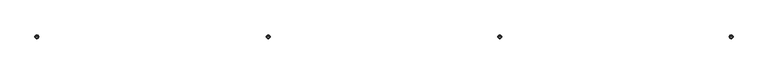
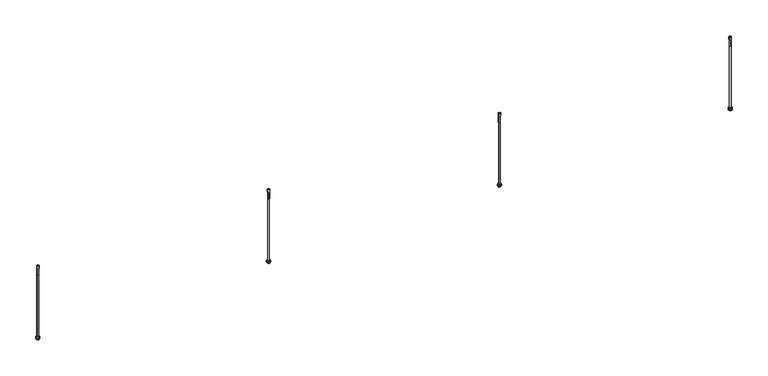
"""IFC4 building model written with IfcOpenShell, lengths in millimetres: proxy geometry."""

import ifcopenshell
import ifcopenshell.guid

model = None  # the IFC model being written
_history = None  # IfcOwnerHistory: only IFC2X3 demands one
_inside = {}  # id of a spatial element -> (the spatial element, [elements in it])
_under = {}  # id of a project, library or spatial element -> (it, [spatial elements below it])
_declared = {}  # id of a project -> (the project, [libraries it declares])
_typed = {}  # id of a type object -> (the type object, [elements of that type])
_made_of = {}  # id of a material, layer set ... -> (it, [elements and type objects made of it])


def new_model(schema):
    """Start an empty IFC model of exactly this schema.

    Asked for "IFC4X3", IfcOpenShell would pick the latest addendum, in which some entities
    have other attributes; the version numbers below select the first issue.
    IFC2X3 requires an IfcOwnerHistory on every rooted entity: one is made here for all.
    """
    global model, _history
    if schema == "IFC4X3":
        model = ifcopenshell.file(schema_version=(4, 3, 0, 0))
    else:
        model = ifcopenshell.file(schema=schema)
    _inside.clear()
    _under.clear()
    _declared.clear()
    _typed.clear()
    _made_of.clear()
    _history = None
    if model.schema == "IFC2X3":
        org = make("IfcOrganization", Name="unknown")
        user = make(
            "IfcPersonAndOrganization",
            ThePerson=make("IfcPerson", FamilyName="unknown"),
            TheOrganization=org,
        )
        app = make(
            "IfcApplication",
            ApplicationDeveloper=org,
            Version="unknown",
            ApplicationFullName="unknown",
            ApplicationIdentifier="unknown",
        )
        _history = make(
            "IfcOwnerHistory",
            OwningUser=user,
            OwningApplication=app,
            ChangeAction="ADDED",
            CreationDate=0,
        )
    return model


def make(cls, **values):
    """One entity of the class cls with the attributes given. An attribute that is None is left unset."""
    return model.create_entity(
        cls, **{name: value for name, value in values.items() if value is not None}
    )


def rooted(cls, **values):
    """An entity with a GlobalId (a new one), such as an element, a storey or a relation."""
    return make(cls, GlobalId=ifcopenshell.guid.new(), OwnerHistory=_history, **values)


def si_unit(unit_type, name, prefix=None):
    """IfcSIUnit, for example si_unit("LENGTHUNIT", "METRE", prefix="MILLI")."""
    return make("IfcSIUnit", UnitType=unit_type, Prefix=prefix, Name=name)


def assignment(units):
    """IfcUnitAssignment: the units of a project."""
    return None if units is None else make("IfcUnitAssignment", Units=units)


def point(xyz):
    """IfcCartesianPoint."""
    return None if xyz is None else make("IfcCartesianPoint", Coordinates=xyz)


def direction(xyz):
    """IfcDirection."""
    return None if xyz is None else make("IfcDirection", DirectionRatios=xyz)


def frame(location, z_axis=None, x_axis=None):
    """IfcAxis2Placement3D, a coordinate frame: its origin and axes. An axis left out is left unset."""
    return make(
        "IfcAxis2Placement3D",
        Location=point(location),
        Axis=direction(z_axis),
        RefDirection=direction(x_axis),
    )


def frame_2d(location, x_axis=None):
    """IfcAxis2Placement2D, a coordinate frame in the plane: its origin and x axis."""
    return make(
        "IfcAxis2Placement2D", Location=point(location), RefDirection=direction(x_axis)
    )


def origin():
    """The frame at (0, 0, 0) with its axes left unset."""
    return frame((0.0, 0.0, 0.0))


def origin_with_axes():
    """The frame at (0, 0, 0) with the z axis (0, 0, 1) and the x axis (1, 0, 0) written out."""
    return frame((0.0, 0.0, 0.0), z_axis=(0.0, 0.0, 1.0), x_axis=(1.0, 0.0, 0.0))


def origin_2d():
    """The frame at (0, 0) in the plane with its x axis left unset."""
    return frame_2d((0.0, 0.0))


def place(relative_to, where):
    """IfcLocalPlacement: puts the frame where relative to a parent placement (None: the world)."""
    return make(
        "IfcLocalPlacement", PlacementRelTo=relative_to, RelativePlacement=where
    )


def context(
    kind, dimensions, precision=None, world=None, true_north=None, identifier=None
):
    """IfcGeometricRepresentationContext, for example the 3D "Model" context."""
    return make(
        "IfcGeometricRepresentationContext",
        ContextIdentifier=identifier,
        ContextType=kind,
        CoordinateSpaceDimension=dimensions,
        Precision=precision,
        WorldCoordinateSystem=world,
        TrueNorth=true_north,
    )


def project(units=None, contexts=None):
    """IfcProject with its units and contexts."""
    return rooted(
        "IfcProject",
        Name="project",
        RepresentationContexts=contexts,
        UnitsInContext=assignment(units),
    )


def spatial(cls, under=None, at=None, **own):
    """A site, building, storey or space (cls), placed at a placement, below another one or the project."""
    s = rooted(cls, ObjectPlacement=at, **own)
    if under is not None:
        _under.setdefault(under.id(), (under, []))[1].append(s)
    return s


def polyline(points):
    """IfcPolyline through the points."""
    return make("IfcPolyline", Points=[point(p) for p in points])


def circle_curve(where, radius):
    """IfcCircle in the frame where."""
    return make("IfcCircle", Position=where, Radius=radius)


def trimmed(basis, trim1, trim2, sense, master):
    """IfcTrimmedCurve: the piece of a basis curve between two trims."""
    return make(
        "IfcTrimmedCurve",
        BasisCurve=basis,
        Trim1=trim1,
        Trim2=trim2,
        SenseAgreement=sense,
        MasterRepresentation=master,
    )


def segment(curve, same_sense, transition):
    """IfcCompositeCurveSegment."""
    return make(
        "IfcCompositeCurveSegment",
        Transition=transition,
        SameSense=same_sense,
        ParentCurve=curve,
    )


def composite_curve(segments, self_intersect=None):
    """IfcCompositeCurve: segments joined end to end."""
    return make("IfcCompositeCurve", Segments=segments, SelfIntersect=self_intersect)


def outline(outer, holes=None, kind="AREA"):
    """IfcArbitraryClosedProfileDef: a profile drawn as a closed curve; with holes, ...WithVoids."""
    if holes is None:
        return make("IfcArbitraryClosedProfileDef", ProfileType=kind, OuterCurve=outer)
    return make(
        "IfcArbitraryProfileDefWithVoids",
        ProfileType=kind,
        OuterCurve=outer,
        InnerCurves=holes,
    )


def extrude(swept, where, along, depth):
    """IfcExtrudedAreaSolid: the profile swept, set in the frame where, extruded along a direction by depth."""
    return make(
        "IfcExtrudedAreaSolid",
        SweptArea=swept,
        Position=where,
        ExtrudedDirection=direction(along),
        Depth=depth,
    )


def shape(context_of_items, identifier, shape_type, items):
    """IfcShapeRepresentation: the items that make up one representation, for example the "Body"."""
    return make(
        "IfcShapeRepresentation",
        ContextOfItems=context_of_items,
        RepresentationIdentifier=identifier,
        RepresentationType=shape_type,
        Items=items,
    )


def source(mapping_origin, context_of_items, identifier, shape_type, items):
    """IfcRepresentationMap: a shape defined once, which mapped items show again and again."""
    return make(
        "IfcRepresentationMap",
        MappingOrigin=mapping_origin,
        MappedRepresentation=shape(context_of_items, identifier, shape_type, items),
    )


def transform(
    local_origin,
    x_axis=None,
    y_axis=None,
    z_axis=None,
    scale=None,
    scale2=None,
    scale3=None,
    uniform=True,
):
    """IfcCartesianTransformationOperator3D, or its non-uniform kind. x_axis, y_axis, z_axis: its Axis1, 2, 3."""
    if uniform:
        return make(
            "IfcCartesianTransformationOperator3D",
            Axis1=direction(x_axis),
            Axis2=direction(y_axis),
            LocalOrigin=point(local_origin),
            Scale=scale,
            Axis3=direction(z_axis),
        )
    return make(
        "IfcCartesianTransformationOperator3DnonUniform",
        Axis1=direction(x_axis),
        Axis2=direction(y_axis),
        LocalOrigin=point(local_origin),
        Scale=scale,
        Axis3=direction(z_axis),
        Scale2=scale2,
        Scale3=scale3,
    )


def mapped(mapping_source, mapping_target):
    """IfcMappedItem: shows the shape of a source again, moved by a transform."""
    return make(
        "IfcMappedItem", MappingSource=mapping_source, MappingTarget=mapping_target
    )


def made_of(thing, what):
    """Note that an element or type object is made of a material, layer set ...; save() writes the relation."""
    if what is not None:
        _made_of.setdefault(what.id(), (what, []))[1].append(thing)
    return thing


def element(
    cls,
    number,
    at=None,
    inside=None,
    cuts=None,
    type_object=None,
    material=None,
    context=None,
    identifier="Body",
    shape_type=None,
    held_by="IfcProductDefinitionShape",
    body=None,
    shapes=None,
    **own,
):
    """One element of the class cls, such as IfcWall. Its Tag is "e" and its number.

    at: its placement. inside: the storey or other place that contains it. cuts: it is an
    opening in that element (IfcRelVoidsElement). A single representation is given by context,
    identifier, shape_type and body (its items); several are given by shapes. held_by: the class
    of the entity that holds the representations. save() writes the other relations.
    """
    e = rooted(cls, Tag="e%d" % number, ObjectPlacement=at, **own)
    if body is not None:
        shapes = [shape(context, identifier, shape_type, body)]
    if shapes is not None:
        e.Representation = make(held_by, Representations=shapes)
    if inside is not None:
        _inside.setdefault(inside.id(), (inside, []))[1].append(e)
    if cuts is not None:
        rooted(
            "IfcRelVoidsElement", RelatingBuildingElement=cuts, RelatedOpeningElement=e
        )
    if type_object is not None:
        _typed.setdefault(type_object.id(), (type_object, []))[1].append(e)
    return made_of(e, material)


def aggregate(whole, parts):
    """IfcRelAggregates: a whole, such as a stair, and the parts it consists of."""
    return rooted("IfcRelAggregates", RelatingObject=whole, RelatedObjects=parts)


def save(model, path):
    """Write the relations noted so far, then the file.

    IfcRelAggregates (storeys below a building ...), IfcRelContainedInSpatialStructure (elements
    in a storey), IfcRelDefinesByType, IfcRelAssociatesMaterial and IfcRelDeclares: one each for
    every whole, place, type object, material and project.
    """
    for whole, parts in _under.values():
        aggregate(whole, parts)
    for where, things in _inside.values():
        rooted(
            "IfcRelContainedInSpatialStructure",
            RelatedElements=things,
            RelatingStructure=where,
        )
    for kind, things in _typed.values():
        rooted("IfcRelDefinesByType", RelatedObjects=things, RelatingType=kind)
    for what, things in _made_of.values():
        rooted("IfcRelAssociatesMaterial", RelatedObjects=things, RelatingMaterial=what)
    for by, libraries in _declared.values():
        rooted("IfcRelDeclares", RelatingContext=by, RelatedDefinitions=libraries)
    model.write(path)


def plane_surface(at):
    """IfcPlane: the flat surface through the origin of the frame at, square to its z axis."""
    return make("IfcPlane", Position=at)


def cylinder_surface(at, radius):
    """IfcCylindricalSurface: all points at the distance radius from the z axis of the frame at."""
    return make("IfcCylindricalSurface", Position=at, Radius=radius)


def revolved_surface(curve, axis_point, axis_direction):
    """IfcSurfaceOfRevolution: the curve turned about the line through axis_point along axis_direction."""
    return make(
        "IfcSurfaceOfRevolution",
        SweptCurve=make("IfcArbitraryOpenProfileDef", ProfileType="CURVE", Curve=curve),
        AxisPosition=make("IfcAxis1Placement", Location=point(axis_point), Axis=direction(axis_direction)),
    )


def advanced_brep(points, edges, surfaces, faces):
    """IfcAdvancedBrep: a solid bounded by faces that lie on surfaces and meet in shared edges.

    An edge is (start, end): straight between two places in points (the first is 0);
    or (start, end, curve); or (start, end, curve, False) where it runs against its curve.
    A face is (place in surfaces, loops), or (place, loops, False) where it looks against
    its surface's normal. A loop lists edges by number (the first is 1), with a minus sign
    where the edge is run from its end to its start. The first loop is the outer one.
    """
    corners = [point(p) for p in points]
    vertices = [make("IfcVertexPoint", VertexGeometry=c) for c in corners]
    made = []
    for start, end, *more in edges:
        made.append(
            make(
                "IfcEdgeCurve",
                EdgeStart=vertices[start],
                EdgeEnd=vertices[end],
                EdgeGeometry=more[0] if more else make("IfcPolyline", Points=[corners[start], corners[end]]),
                SameSense=more[1] if len(more) > 1 else True,
            )
        )
    hull = []
    for where, loops, *sense in faces:
        bounds = []
        for j, loop in enumerate(loops):
            ring = [make("IfcOrientedEdge", EdgeElement=made[abs(k) - 1], Orientation=k > 0) for k in loop]
            bounds.append(
                make(
                    "IfcFaceOuterBound" if j == 0 else "IfcFaceBound",
                    Bound=make("IfcEdgeLoop", EdgeList=ring),
                    Orientation=True,
                )
            )
        hull.append(make("IfcAdvancedFace", Bounds=bounds, FaceSurface=surfaces[where], SameSense=sense[0] if sense else True))
    return make("IfcAdvancedBrep", Outer=make("IfcClosedShell", CfsFaces=hull))


def generic_models_63b8e154(model_context):
    return source(origin(), model_context, "Body", "SolidModel", [
        extrude(outline(polyline([(2850.0, 6.6082069), (2855.722875, 3.3041034), (2855.722875, -3.3041034), (2850.0, -6.6082069), (2844.277125, -3.3041034), (2844.277125, 3.3041034), (2850.0, 6.6082069)]), holes=[composite_curve([segment(trimmed(circle_curve(frame_2d((2850.0, 0.0)), 3.0), [point((2853.0, 0.0))], [point((2847.0, 0.0))], True, "CARTESIAN"), True, "CONTINUOUS"), segment(trimmed(circle_curve(frame_2d((2850.0, 0.0)), 3.0), [point((2847.0, 0.0))], [point((2853.0, 0.0))], True, "CARTESIAN"), True, "CONTINUOUS")], self_intersect=False)]), frame((0.0, 0.0, 8.4900018), z_axis=(0.0, 0.0, 1.0), x_axis=(1.0, 0.0, 0.0)), (0.0, 0.0, 1.0), 5.0),
        advanced_brep(
        [(2850.0, 0.0, 321.2678879), (2845.2681778, 0.0, 320.0), (2854.7318222, 0.0, 320.0), (2853.671637, 0.0, 281.9964405), (2846.328363, 0.0, 281.9964405), (2850.0, 0.0, 281.9964405), (2853.671637, 0.0, 310.5379079), (2846.328363, 0.0, 310.5379079), (2854.7318222, 0.0, 310.5379079), (2845.2681778, 0.0, 310.5379079)],
        [
            (0, 1),
            (1, 2, circle_curve(frame((2850.0, 0.0, 320.0), z_axis=(0.0, 0.0, 1.0), x_axis=(-1.0, 0.0, 0.0)), 4.7318222)),
            (2, 0),
            (2, 1, circle_curve(frame((2850.0, 0.0, 320.0), z_axis=(0.0, 0.0, 1.0), x_axis=(-1.0, 0.0, 0.0)), 4.7318222)),
            (3, 4, circle_curve(frame((2850.0, 0.0, 281.9964405), z_axis=(0.0, 0.0, -1.0), x_axis=(-1.0, 0.0, 0.0)), 3.671637)),
            (4, 5),
            (5, 3),
            (4, 3, circle_curve(frame((2850.0, 0.0, 281.9964405), z_axis=(0.0, 0.0, -1.0), x_axis=(-1.0, 0.0, 0.0)), 3.671637)),
            (6, 7, circle_curve(frame((2850.0, 0.0, 310.5379079), z_axis=(0.0, 0.0, -1.0), x_axis=(-1.0, 0.0, 0.0)), 3.671637)),
            (7, 4),
            (3, 6),
            (7, 6, circle_curve(frame((2850.0, 0.0, 310.5379079), z_axis=(0.0, 0.0, -1.0), x_axis=(-1.0, 0.0, 0.0)), 3.671637)),
            (8, 9, circle_curve(frame((2850.0, 0.0, 310.5379079), z_axis=(0.0, 0.0, -1.0), x_axis=(-1.0, 0.0, 0.0)), 4.7318222)),
            (9, 7),
            (6, 8),
            (9, 8, circle_curve(frame((2850.0, 0.0, 310.5379079), z_axis=(0.0, 0.0, -1.0), x_axis=(-1.0, 0.0, 0.0)), 4.7318222)),
            (1, 9),
            (8, 2),
        ],
        [
            revolved_surface(polyline([(2845.2681778, 0.0, 320.0), (2850.0, 0.0, 321.2678879)]), (2850.0, 0.0, 289.8947141), (0.0, 0.0, 1.0)),
            plane_surface(frame((2850.0, 0.0, 281.9964405), z_axis=(0.0, 0.0, -1.0), x_axis=(-1.0, 0.0, 0.0))),
            cylinder_surface(frame((2850.0, 0.0, 289.8947141), z_axis=(0.0, 0.0, 1.0), x_axis=(-1.0, 0.0, 0.0)), 3.671637),
            plane_surface(frame((2850.0, 0.0, 310.5379079), z_axis=(0.0, 0.0, -1.0), x_axis=(-1.0, 0.0, 0.0))),
            cylinder_surface(frame((2850.0, 0.0, 289.8947141), z_axis=(0.0, 0.0, 1.0), x_axis=(-1.0, 0.0, 0.0)), 4.7318222),
        ],
        [
            (0, [[1, 2, 3]]),
            (0, [[-3, 4, -1]]),
            (1, [[5, 6, 7]]),
            (1, [[8, -7, -6]]),
            (2, [[9, 10, -5, 11]]),
            (2, [[12, -11, -8, -10]]),
            (3, [[13, 14, -9, 15]]),
            (3, [[16, -15, -12, -14]]),
            (4, [[-2, 17, -13, 18]]),
            (4, [[-4, -18, -16, -17]]),
        ],
    ),
        extrude(outline(composite_curve([segment(trimmed(circle_curve(frame_2d((2850.0, 0.0)), 7.6155736), [point((2857.6155736, 0.0))], [point((2842.3844264, 0.0))], False, "CARTESIAN"), True, "CONTINUOUS"), segment(trimmed(circle_curve(frame_2d((2850.0, 0.0)), 7.6155736), [point((2842.3844264, 0.0))], [point((2857.6155736, 0.0))], False, "CARTESIAN"), True, "CONTINUOUS")], self_intersect=False), holes=[composite_curve([segment(trimmed(circle_curve(frame_2d((2850.0, 0.0)), 3.0), [point((2853.0, 0.0))], [point((2847.0, 0.0))], True, "CARTESIAN"), True, "CONTINUOUS"), segment(trimmed(circle_curve(frame_2d((2850.0, 0.0)), 3.0), [point((2847.0, 0.0))], [point((2853.0, 0.0))], True, "CARTESIAN"), True, "CONTINUOUS")], self_intersect=False)]), frame((0.0, 0.0, 6.4900018), z_axis=(0.0, 0.0, 1.0), x_axis=(1.0, 0.0, 0.0)), (0.0, 0.0, 1.0), 1.0),
        extrude(outline(polyline([(2850.0, 6.6082069), (2855.722875, 3.3041034), (2855.722875, -3.3041034), (2850.0, -6.6082069), (2844.277125, -3.3041034), (2844.277125, 3.3041034), (2850.0, 6.6082069)]), holes=[composite_curve([segment(trimmed(circle_curve(frame_2d((2850.0, 0.0)), 3.0), [point((2853.0, 0.0))], [point((2847.0, 0.0))], True, "CARTESIAN"), True, "CONTINUOUS"), segment(trimmed(circle_curve(frame_2d((2850.0, 0.0)), 3.0), [point((2847.0, 0.0))], [point((2853.0, 0.0))], True, "CARTESIAN"), True, "CONTINUOUS")], self_intersect=False)]), frame((0.0, 0.0, 1.4900018), z_axis=(0.0, 0.0, 1.0), x_axis=(1.0, 0.0, 0.0)), (0.0, 0.0, 1.0), 5.0),
        extrude(outline(composite_curve([segment(trimmed(circle_curve(frame_2d((2850.0, 0.0)), 3.0), [point((2853.0, 0.0))], [point((2847.0, 0.0))], False, "CARTESIAN"), True, "CONTINUOUS"), segment(trimmed(circle_curve(frame_2d((2850.0, 0.0)), 3.0), [point((2847.0, 0.0))], [point((2853.0, 0.0))], False, "CARTESIAN"), True, "CONTINUOUS")], self_intersect=False)), origin_with_axes(), (0.0, 0.0, 1.0), 320.0),
        extrude(outline(polyline([(1900.0, 6.6082069), (1905.722875, 3.3041034), (1905.722875, -3.3041034), (1900.0, -6.6082069), (1894.277125, -3.3041034), (1894.277125, 3.3041034), (1900.0, 6.6082069)]), holes=[composite_curve([segment(trimmed(circle_curve(frame_2d((1900.0, 0.0)), 3.0), [point((1903.0, 0.0))], [point((1897.0, 0.0))], True, "CARTESIAN"), True, "CONTINUOUS"), segment(trimmed(circle_curve(frame_2d((1900.0, 0.0)), 3.0), [point((1897.0, 0.0))], [point((1903.0, 0.0))], True, "CARTESIAN"), True, "CONTINUOUS")], self_intersect=False)]), frame((0.0, 0.0, 8.4900018), z_axis=(0.0, 0.0, 1.0), x_axis=(1.0, 0.0, 0.0)), (0.0, 0.0, 1.0), 5.0),
        advanced_brep(
        [(1900.0, 0.0, 321.2678879), (1895.2681778, 0.0, 320.0), (1904.7318222, 0.0, 320.0), (1903.671637, 0.0, 281.9964405), (1896.328363, 0.0, 281.9964405), (1900.0, 0.0, 281.9964405), (1903.671637, 0.0, 310.5379079), (1896.328363, 0.0, 310.5379079), (1904.7318222, 0.0, 310.5379079), (1895.2681778, 0.0, 310.5379079)],
        [
            (0, 1),
            (1, 2, circle_curve(frame((1900.0, 0.0, 320.0), z_axis=(0.0, 0.0, 1.0), x_axis=(-1.0, 0.0, 0.0)), 4.7318222)),
            (2, 0),
            (2, 1, circle_curve(frame((1900.0, 0.0, 320.0), z_axis=(0.0, 0.0, 1.0), x_axis=(-1.0, 0.0, 0.0)), 4.7318222)),
            (3, 4, circle_curve(frame((1900.0, 0.0, 281.9964405), z_axis=(0.0, 0.0, -1.0), x_axis=(-1.0, 0.0, 0.0)), 3.671637)),
            (4, 5),
            (5, 3),
            (4, 3, circle_curve(frame((1900.0, 0.0, 281.9964405), z_axis=(0.0, 0.0, -1.0), x_axis=(-1.0, 0.0, 0.0)), 3.671637)),
            (6, 7, circle_curve(frame((1900.0, 0.0, 310.5379079), z_axis=(0.0, 0.0, -1.0), x_axis=(-1.0, 0.0, 0.0)), 3.671637)),
            (7, 4),
            (3, 6),
            (7, 6, circle_curve(frame((1900.0, 0.0, 310.5379079), z_axis=(0.0, 0.0, -1.0), x_axis=(-1.0, 0.0, 0.0)), 3.671637)),
            (8, 9, circle_curve(frame((1900.0, 0.0, 310.5379079), z_axis=(0.0, 0.0, -1.0), x_axis=(-1.0, 0.0, 0.0)), 4.7318222)),
            (9, 7),
            (6, 8),
            (9, 8, circle_curve(frame((1900.0, 0.0, 310.5379079), z_axis=(0.0, 0.0, -1.0), x_axis=(-1.0, 0.0, 0.0)), 4.7318222)),
            (1, 9),
            (8, 2),
        ],
        [
            revolved_surface(polyline([(1895.2681778, 0.0, 320.0), (1900.0, 0.0, 321.2678879)]), (1900.0, 0.0, 289.8947141), (0.0, 0.0, 1.0)),
            plane_surface(frame((1900.0, 0.0, 281.9964405), z_axis=(0.0, 0.0, -1.0), x_axis=(-1.0, 0.0, 0.0))),
            cylinder_surface(frame((1900.0, 0.0, 289.8947141), z_axis=(0.0, 0.0, 1.0), x_axis=(-1.0, 0.0, 0.0)), 3.671637),
            plane_surface(frame((1900.0, 0.0, 310.5379079), z_axis=(0.0, 0.0, -1.0), x_axis=(-1.0, 0.0, 0.0))),
            cylinder_surface(frame((1900.0, 0.0, 289.8947141), z_axis=(0.0, 0.0, 1.0), x_axis=(-1.0, 0.0, 0.0)), 4.7318222),
        ],
        [
            (0, [[1, 2, 3]]),
            (0, [[-3, 4, -1]]),
            (1, [[5, 6, 7]]),
            (1, [[8, -7, -6]]),
            (2, [[9, 10, -5, 11]]),
            (2, [[12, -11, -8, -10]]),
            (3, [[13, 14, -9, 15]]),
            (3, [[16, -15, -12, -14]]),
            (4, [[-2, 17, -13, 18]]),
            (4, [[-4, -18, -16, -17]]),
        ],
    ),
        extrude(outline(composite_curve([segment(trimmed(circle_curve(frame_2d((1900.0, 0.0)), 7.6155736), [point((1907.6155736, 0.0))], [point((1892.3844264, 0.0))], False, "CARTESIAN"), True, "CONTINUOUS"), segment(trimmed(circle_curve(frame_2d((1900.0, 0.0)), 7.6155736), [point((1892.3844264, 0.0))], [point((1907.6155736, 0.0))], False, "CARTESIAN"), True, "CONTINUOUS")], self_intersect=False), holes=[composite_curve([segment(trimmed(circle_curve(frame_2d((1900.0, 0.0)), 3.0), [point((1903.0, 0.0))], [point((1897.0, 0.0))], True, "CARTESIAN"), True, "CONTINUOUS"), segment(trimmed(circle_curve(frame_2d((1900.0, 0.0)), 3.0), [point((1897.0, 0.0))], [point((1903.0, 0.0))], True, "CARTESIAN"), True, "CONTINUOUS")], self_intersect=False)]), frame((0.0, 0.0, 6.4900018), z_axis=(0.0, 0.0, 1.0), x_axis=(1.0, 0.0, 0.0)), (0.0, 0.0, 1.0), 1.0),
        extrude(outline(polyline([(1900.0, 6.6082069), (1905.722875, 3.3041034), (1905.722875, -3.3041034), (1900.0, -6.6082069), (1894.277125, -3.3041034), (1894.277125, 3.3041034), (1900.0, 6.6082069)]), holes=[composite_curve([segment(trimmed(circle_curve(frame_2d((1900.0, 0.0)), 3.0), [point((1903.0, 0.0))], [point((1897.0, 0.0))], True, "CARTESIAN"), True, "CONTINUOUS"), segment(trimmed(circle_curve(frame_2d((1900.0, 0.0)), 3.0), [point((1897.0, 0.0))], [point((1903.0, 0.0))], True, "CARTESIAN"), True, "CONTINUOUS")], self_intersect=False)]), frame((0.0, 0.0, 1.4900018), z_axis=(0.0, 0.0, 1.0), x_axis=(1.0, 0.0, 0.0)), (0.0, 0.0, 1.0), 5.0),
        extrude(outline(composite_curve([segment(trimmed(circle_curve(frame_2d((1900.0, 0.0)), 3.0), [point((1903.0, 0.0))], [point((1897.0, 0.0))], False, "CARTESIAN"), True, "CONTINUOUS"), segment(trimmed(circle_curve(frame_2d((1900.0, 0.0)), 3.0), [point((1897.0, 0.0))], [point((1903.0, 0.0))], False, "CARTESIAN"), True, "CONTINUOUS")], self_intersect=False)), origin_with_axes(), (0.0, 0.0, 1.0), 320.0),
        extrude(outline(polyline([(950.0, 6.6082069), (955.722875, 3.3041034), (955.722875, -3.3041034), (950.0, -6.6082069), (944.277125, -3.3041034), (944.277125, 3.3041034), (950.0, 6.6082069)]), holes=[composite_curve([segment(trimmed(circle_curve(frame_2d((950.0, 0.0)), 3.0), [point((953.0, 0.0))], [point((947.0, 0.0))], True, "CARTESIAN"), True, "CONTINUOUS"), segment(trimmed(circle_curve(frame_2d((950.0, 0.0)), 3.0), [point((947.0, 0.0))], [point((953.0, 0.0))], True, "CARTESIAN"), True, "CONTINUOUS")], self_intersect=False)]), frame((0.0, 0.0, 8.4900018), z_axis=(0.0, 0.0, 1.0), x_axis=(1.0, 0.0, 0.0)), (0.0, 0.0, 1.0), 5.0),
        advanced_brep(
        [(950.0, 0.0, 321.2678879), (945.2681778, 0.0, 320.0), (954.7318222, 0.0, 320.0), (953.671637, 0.0, 281.9964405), (946.328363, 0.0, 281.9964405), (950.0, 0.0, 281.9964405), (953.671637, 0.0, 310.5379079), (946.328363, 0.0, 310.5379079), (954.7318222, 0.0, 310.5379079), (945.2681778, 0.0, 310.5379079)],
        [
            (0, 1),
            (1, 2, circle_curve(frame((950.0, 0.0, 320.0), z_axis=(0.0, 0.0, 1.0), x_axis=(-1.0, 0.0, 0.0)), 4.7318222)),
            (2, 0),
            (2, 1, circle_curve(frame((950.0, 0.0, 320.0), z_axis=(0.0, 0.0, 1.0), x_axis=(-1.0, 0.0, 0.0)), 4.7318222)),
            (3, 4, circle_curve(frame((950.0, 0.0, 281.9964405), z_axis=(0.0, 0.0, -1.0), x_axis=(-1.0, 0.0, 0.0)), 3.671637)),
            (4, 5),
            (5, 3),
            (4, 3, circle_curve(frame((950.0, 0.0, 281.9964405), z_axis=(0.0, 0.0, -1.0), x_axis=(-1.0, 0.0, 0.0)), 3.671637)),
            (6, 7, circle_curve(frame((950.0, 0.0, 310.5379079), z_axis=(0.0, 0.0, -1.0), x_axis=(-1.0, 0.0, 0.0)), 3.671637)),
            (7, 4),
            (3, 6),
            (7, 6, circle_curve(frame((950.0, 0.0, 310.5379079), z_axis=(0.0, 0.0, -1.0), x_axis=(-1.0, 0.0, 0.0)), 3.671637)),
            (8, 9, circle_curve(frame((950.0, 0.0, 310.5379079), z_axis=(0.0, 0.0, -1.0), x_axis=(-1.0, 0.0, 0.0)), 4.7318222)),
            (9, 7),
            (6, 8),
            (9, 8, circle_curve(frame((950.0, 0.0, 310.5379079), z_axis=(0.0, 0.0, -1.0), x_axis=(-1.0, 0.0, 0.0)), 4.7318222)),
            (1, 9),
            (8, 2),
        ],
        [
            revolved_surface(polyline([(945.2681778, 0.0, 320.0), (950.0, 0.0, 321.2678879)]), (950.0, 0.0, 289.8947141), (0.0, 0.0, 1.0)),
            plane_surface(frame((950.0, 0.0, 281.9964405), z_axis=(0.0, 0.0, -1.0), x_axis=(-1.0, 0.0, 0.0))),
            cylinder_surface(frame((950.0, 0.0, 289.8947141), z_axis=(0.0, 0.0, 1.0), x_axis=(-1.0, 0.0, 0.0)), 3.671637),
            plane_surface(frame((950.0, 0.0, 310.5379079), z_axis=(0.0, 0.0, -1.0), x_axis=(-1.0, 0.0, 0.0))),
            cylinder_surface(frame((950.0, 0.0, 289.8947141), z_axis=(0.0, 0.0, 1.0), x_axis=(-1.0, 0.0, 0.0)), 4.7318222),
        ],
        [
            (0, [[1, 2, 3]]),
            (0, [[-3, 4, -1]]),
            (1, [[5, 6, 7]]),
            (1, [[8, -7, -6]]),
            (2, [[9, 10, -5, 11]]),
            (2, [[12, -11, -8, -10]]),
            (3, [[13, 14, -9, 15]]),
            (3, [[16, -15, -12, -14]]),
            (4, [[-2, 17, -13, 18]]),
            (4, [[-4, -18, -16, -17]]),
        ],
    ),
        extrude(outline(composite_curve([segment(trimmed(circle_curve(frame_2d((950.0, 0.0)), 7.6155736), [point((957.6155736, 0.0))], [point((942.3844264, 0.0))], False, "CARTESIAN"), True, "CONTINUOUS"), segment(trimmed(circle_curve(frame_2d((950.0, 0.0)), 7.6155736), [point((942.3844264, 0.0))], [point((957.6155736, 0.0))], False, "CARTESIAN"), True, "CONTINUOUS")], self_intersect=False), holes=[composite_curve([segment(trimmed(circle_curve(frame_2d((950.0, 0.0)), 3.0), [point((953.0, 0.0))], [point((947.0, 0.0))], True, "CARTESIAN"), True, "CONTINUOUS"), segment(trimmed(circle_curve(frame_2d((950.0, 0.0)), 3.0), [point((947.0, 0.0))], [point((953.0, 0.0))], True, "CARTESIAN"), True, "CONTINUOUS")], self_intersect=False)]), frame((0.0, 0.0, 6.4900018), z_axis=(0.0, 0.0, 1.0), x_axis=(1.0, 0.0, 0.0)), (0.0, 0.0, 1.0), 1.0),
        extrude(outline(polyline([(950.0, 6.6082069), (955.722875, 3.3041034), (955.722875, -3.3041034), (950.0, -6.6082069), (944.277125, -3.3041034), (944.277125, 3.3041034), (950.0, 6.6082069)]), holes=[composite_curve([segment(trimmed(circle_curve(frame_2d((950.0, 0.0)), 3.0), [point((953.0, 0.0))], [point((947.0, 0.0))], True, "CARTESIAN"), True, "CONTINUOUS"), segment(trimmed(circle_curve(frame_2d((950.0, 0.0)), 3.0), [point((947.0, 0.0))], [point((953.0, 0.0))], True, "CARTESIAN"), True, "CONTINUOUS")], self_intersect=False)]), frame((0.0, 0.0, 1.4900018), z_axis=(0.0, 0.0, 1.0), x_axis=(1.0, 0.0, 0.0)), (0.0, 0.0, 1.0), 5.0),
        extrude(outline(composite_curve([segment(trimmed(circle_curve(frame_2d((950.0, 0.0)), 3.0), [point((953.0, 0.0))], [point((947.0, 0.0))], False, "CARTESIAN"), True, "CONTINUOUS"), segment(trimmed(circle_curve(frame_2d((950.0, 0.0)), 3.0), [point((947.0, 0.0))], [point((953.0, 0.0))], False, "CARTESIAN"), True, "CONTINUOUS")], self_intersect=False)), origin_with_axes(), (0.0, 0.0, 1.0), 320.0),
        extrude(outline(polyline([(0.0, 6.6082069), (5.722875, 3.3041034), (5.722875, -3.3041034), (0.0, -6.6082069), (-5.722875, -3.3041034), (-5.722875, 3.3041034), (0.0, 6.6082069)]), holes=[composite_curve([segment(trimmed(circle_curve(origin_2d(), 3.0), [point((3.0, 0.0))], [point((-3.0, 0.0))], True, "CARTESIAN"), True, "CONTINUOUS"), segment(trimmed(circle_curve(origin_2d(), 3.0), [point((-3.0, 0.0))], [point((3.0, 0.0))], True, "CARTESIAN"), True, "CONTINUOUS")], self_intersect=False)]), frame((0.0, 0.0, 8.4900018), z_axis=(0.0, 0.0, 1.0), x_axis=(1.0, 0.0, 0.0)), (0.0, 0.0, 1.0), 5.0),
        advanced_brep(
        [(0.0, 0.0, 321.2678879), (-4.7318222, 0.0, 320.0), (4.7318222, 0.0, 320.0), (3.671637, 0.0, 281.9964405), (-3.671637, 0.0, 281.9964405), (0.0, 0.0, 281.9964405), (3.671637, 0.0, 310.5379079), (-3.671637, 0.0, 310.5379079), (4.7318222, 0.0, 310.5379079), (-4.7318222, 0.0, 310.5379079)],
        [
            (0, 1),
            (1, 2, circle_curve(frame((0.0, 0.0, 320.0), z_axis=(0.0, 0.0, 1.0), x_axis=(-1.0, 0.0, 0.0)), 4.7318222)),
            (2, 0),
            (2, 1, circle_curve(frame((0.0, 0.0, 320.0), z_axis=(0.0, 0.0, 1.0), x_axis=(-1.0, 0.0, 0.0)), 4.7318222)),
            (3, 4, circle_curve(frame((0.0, 0.0, 281.9964405), z_axis=(0.0, 0.0, -1.0), x_axis=(-1.0, 0.0, 0.0)), 3.671637)),
            (4, 5),
            (5, 3),
            (4, 3, circle_curve(frame((0.0, 0.0, 281.9964405), z_axis=(0.0, 0.0, -1.0), x_axis=(-1.0, 0.0, 0.0)), 3.671637)),
            (6, 7, circle_curve(frame((0.0, 0.0, 310.5379079), z_axis=(0.0, 0.0, -1.0), x_axis=(-1.0, 0.0, 0.0)), 3.671637)),
            (7, 4),
            (3, 6),
            (7, 6, circle_curve(frame((0.0, 0.0, 310.5379079), z_axis=(0.0, 0.0, -1.0), x_axis=(-1.0, 0.0, 0.0)), 3.671637)),
            (8, 9, circle_curve(frame((0.0, 0.0, 310.5379079), z_axis=(0.0, 0.0, -1.0), x_axis=(-1.0, 0.0, 0.0)), 4.7318222)),
            (9, 7),
            (6, 8),
            (9, 8, circle_curve(frame((0.0, 0.0, 310.5379079), z_axis=(0.0, 0.0, -1.0), x_axis=(-1.0, 0.0, 0.0)), 4.7318222)),
            (1, 9),
            (8, 2),
        ],
        [
            revolved_surface(polyline([(-4.7318222, 0.0, 320.0), (0.0, 0.0, 321.2678879)]), (0.0, 0.0, 289.8947141), (0.0, 0.0, 1.0)),
            plane_surface(frame((0.0, 0.0, 281.9964405), z_axis=(0.0, 0.0, -1.0), x_axis=(-1.0, 0.0, 0.0))),
            cylinder_surface(frame((0.0, 0.0, 289.8947141), z_axis=(0.0, 0.0, 1.0), x_axis=(-1.0, 0.0, 0.0)), 3.671637),
            plane_surface(frame((0.0, 0.0, 310.5379079), z_axis=(0.0, 0.0, -1.0), x_axis=(-1.0, 0.0, 0.0))),
            cylinder_surface(frame((0.0, 0.0, 289.8947141), z_axis=(0.0, 0.0, 1.0), x_axis=(-1.0, 0.0, 0.0)), 4.7318222),
        ],
        [
            (0, [[1, 2, 3]]),
            (0, [[-3, 4, -1]]),
            (1, [[5, 6, 7]]),
            (1, [[8, -7, -6]]),
            (2, [[9, 10, -5, 11]]),
            (2, [[12, -11, -8, -10]]),
            (3, [[13, 14, -9, 15]]),
            (3, [[16, -15, -12, -14]]),
            (4, [[-2, 17, -13, 18]]),
            (4, [[-4, -18, -16, -17]]),
        ],
    ),
        extrude(outline(composite_curve([segment(trimmed(circle_curve(origin_2d(), 7.6155736), [point((7.6155736, 0.0))], [point((-7.6155736, 0.0))], False, "CARTESIAN"), True, "CONTINUOUS"), segment(trimmed(circle_curve(origin_2d(), 7.6155736), [point((-7.6155736, 0.0))], [point((7.6155736, 0.0))], False, "CARTESIAN"), True, "CONTINUOUS")], self_intersect=False), holes=[composite_curve([segment(trimmed(circle_curve(origin_2d(), 3.0), [point((3.0, 0.0))], [point((-3.0, 0.0))], True, "CARTESIAN"), True, "CONTINUOUS"), segment(trimmed(circle_curve(origin_2d(), 3.0), [point((-3.0, 0.0))], [point((3.0, 0.0))], True, "CARTESIAN"), True, "CONTINUOUS")], self_intersect=False)]), frame((0.0, 0.0, 6.4900018), z_axis=(0.0, 0.0, 1.0), x_axis=(1.0, 0.0, 0.0)), (0.0, 0.0, 1.0), 1.0),
        extrude(outline(polyline([(0.0, 6.6082069), (5.722875, 3.3041034), (5.722875, -3.3041034), (0.0, -6.6082069), (-5.722875, -3.3041034), (-5.722875, 3.3041034), (0.0, 6.6082069)]), holes=[composite_curve([segment(trimmed(circle_curve(origin_2d(), 3.0), [point((3.0, 0.0))], [point((-3.0, 0.0))], True, "CARTESIAN"), True, "CONTINUOUS"), segment(trimmed(circle_curve(origin_2d(), 3.0), [point((-3.0, 0.0))], [point((3.0, 0.0))], True, "CARTESIAN"), True, "CONTINUOUS")], self_intersect=False)]), frame((0.0, 0.0, 1.4900018), z_axis=(0.0, 0.0, 1.0), x_axis=(1.0, 0.0, 0.0)), (0.0, 0.0, 1.0), 5.0),
        extrude(outline(composite_curve([segment(trimmed(circle_curve(origin_2d(), 3.0), [point((3.0, 0.0))], [point((-3.0, 0.0))], False, "CARTESIAN"), True, "CONTINUOUS"), segment(trimmed(circle_curve(origin_2d(), 3.0), [point((-3.0, 0.0))], [point((3.0, 0.0))], False, "CARTESIAN"), True, "CONTINUOUS")], self_intersect=False)), origin_with_axes(), (0.0, 0.0, 1.0), 320.0),
    ])


if __name__ == "__main__":
    model = new_model("IFC4")
    model_context = context("Model", 3, world=origin())
    ifc_project = project(units=[si_unit("LENGTHUNIT", "METRE", prefix="MILLI")], contexts=[model_context])
    site = spatial("IfcSite", under=ifc_project)
    building = spatial("IfcBuilding", under=site)
    placement = place(None, origin())
    generic_models_shape = generic_models_63b8e154(model_context)
    element("IfcBuildingElementProxy", 1, Name="Generic Models", at=placement, inside=building, context=model_context, shape_type="MappedRepresentation", body=[
        mapped(generic_models_shape, transform((0.0, 0.0, 0.0), x_axis=(1.0, 0.0, 0.0), y_axis=(0.0, 1.0, 0.0), z_axis=(0.0, 0.0, 1.0))),
    ])
    save(model, "model.ifc")
